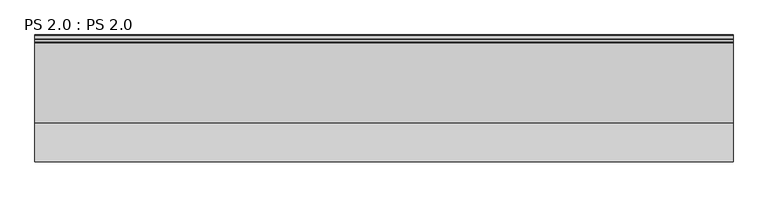
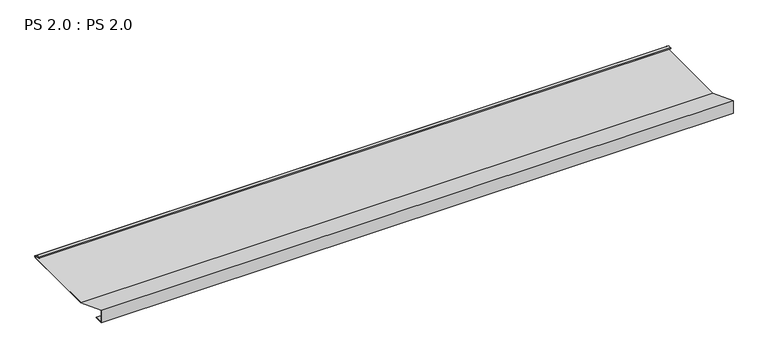
"""IFC4 building model written with IfcOpenShell, lengths in millimetres: proxy geometry, PS 2.0 : PS 2.0."""

from ifc_helpers import new_model, si_unit, point, frame, frame_2d, origin, place, context, project, spatial, polyline, circle_curve, trimmed, segment, composite_curve, outline, extrude, source, transform, mapped, element, save


def ps_2_0_ps_2_0_f38d2778(model_context):
    return source(origin(), model_context, "Body", "SweptSolid", [
        extrude(outline(composite_curve([segment(polyline([(0.0, 0.0), (0.0, 38.0), (100.0, 0.0), (325.0510156, 0.0)]), True, "CONTINUOUS"), segment(trimmed(circle_curve(frame_2d((324.3094696, 1.9153551)), 2.0538928), [point((325.0510156, 0.0))], [point((325.1748462, 3.778041))], True, "CARTESIAN"), True, "CONTINUOUS"), segment(polyline([(325.1748462, 3.778041), (308.7874714, 6.923107)]), True, "CONTINUOUS"), segment(trimmed(circle_curve(frame_2d((309.4078886, 8.6005442)), 1.7884947), [point((308.7874714, 6.923107))], [point((308.9525789, 10.3301125))], False, "CARTESIAN"), True, "CONTINUOUS"), segment(polyline([(308.9525789, 10.3301125), (316.459338, 11.6715995), (316.635255, 10.6871945), (309.1762081, 9.3542338)]), True, "CONTINUOUS"), segment(trimmed(circle_curve(frame_2d((309.4078886, 8.6005442)), 0.7884947), [point((309.1762081, 9.3542338))], [point((309.0735117, 7.8864603))], True, "CARTESIAN"), True, "CONTINUOUS"), segment(polyline([(309.0735117, 7.8864603), (325.4722719, 4.7392091)]), True, "CONTINUOUS"), segment(trimmed(circle_curve(frame_2d((324.3094696, 1.9153551)), 3.0538928), [point((325.4722719, 4.7392091))], [point((325.2188462, -1.0))], False, "CARTESIAN"), True, "CONTINUOUS"), segment(polyline([(325.2188462, -1.0), (99.8164044, -1.0), (1.0, 36.5502337), (1.0, 1.0), (25.0, 1.0), (25.0, 0.0), (0.0, 0.0)]), True, "CONTINUOUS")], self_intersect=False)), frame((0.0, 0.0, 0.0), z_axis=(1.0, 0.0, 0.0), x_axis=(0.0, 1.0, 0.0)), (0.0, 0.0, 1.0), 1800.0),
    ])


if __name__ == "__main__":
    model = new_model("IFC4")
    model_context = context("Model", 3, world=origin())
    ifc_project = project(units=[si_unit("LENGTHUNIT", "METRE", prefix="MILLI")], contexts=[model_context])
    site = spatial("IfcSite", under=ifc_project)
    building = spatial("IfcBuilding", under=site)
    placement = place(None, origin())
    ps_2_0_ps_2_0_shape = ps_2_0_ps_2_0_f38d2778(model_context)
    element("IfcBuildingElementProxy", 1, Name="PS 2.0 : PS 2.0", ObjectType="PS 2.0 : PS 2.0", at=placement, inside=building, context=model_context, shape_type="MappedRepresentation", body=[
        mapped(ps_2_0_ps_2_0_shape, transform((0.0, 0.0, 0.0), x_axis=(1.0, 0.0, 0.0), y_axis=(0.0, 1.0, 0.0), z_axis=(0.0, 0.0, 1.0))),
    ])
    save(model, "model.ifc")
